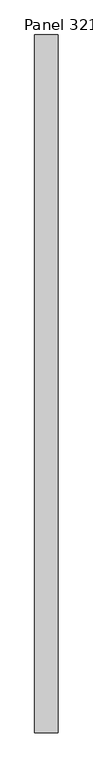
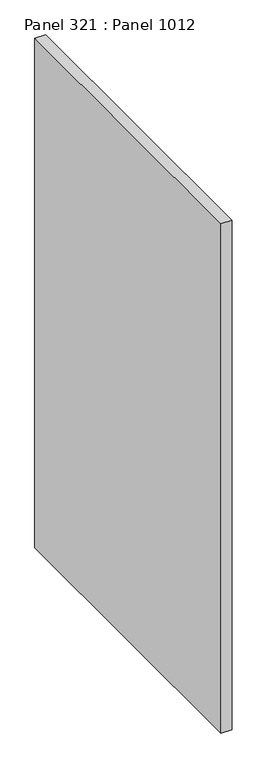
"""IFC4 building model written with IfcOpenShell, lengths in millimetres: proxy geometry, Panel 321 : Panel 1012."""

from ifc_helpers import new_model, si_unit, frame, origin, place, context, project, spatial, polyline, outline, extrude, source, transform, mapped, element, save


def panel_321_panel_1012_988a35b3(model_context):
    return source(origin(), model_context, "Body", "SweptSolid", [
        extrude(outline(polyline([(26317.4760975, 340405.7856606), (26367.4761396, 340405.785661), (26367.4760857, 338905.7856565), (26317.4760436, 338905.7856561), (26317.4760975, 340405.7856606)])), frame((0.0, 0.0, 34575.0), z_axis=(0.0, 0.0, 1.0), x_axis=(1.0, 0.0, 0.0)), (0.0, 0.0, 1.0), 2500.0),
    ])


if __name__ == "__main__":
    model = new_model("IFC4")
    model_context = context("Model", 3, world=origin())
    ifc_project = project(units=[si_unit("LENGTHUNIT", "METRE", prefix="MILLI")], contexts=[model_context])
    site = spatial("IfcSite", under=ifc_project)
    building = spatial("IfcBuilding", under=site)
    placement = place(None, origin())
    panel_321_panel_1012_shape = panel_321_panel_1012_988a35b3(model_context)
    element("IfcBuildingElementProxy", 1, Name="Panel 321 : Panel 1012", ObjectType="Panel 321 : Panel 1012", at=placement, inside=building, context=model_context, shape_type="MappedRepresentation", body=[
        mapped(panel_321_panel_1012_shape, transform((0.0, 0.0, 0.0), x_axis=(1.0, 0.0, 0.0), y_axis=(0.0, 1.0, 0.0), z_axis=(0.0, 0.0, 1.0))),
    ])
    save(model, "model.ifc")
